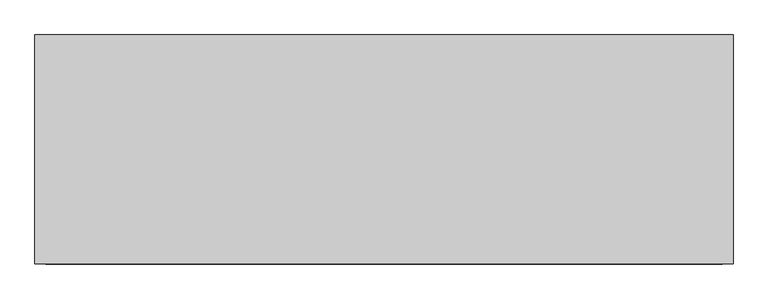
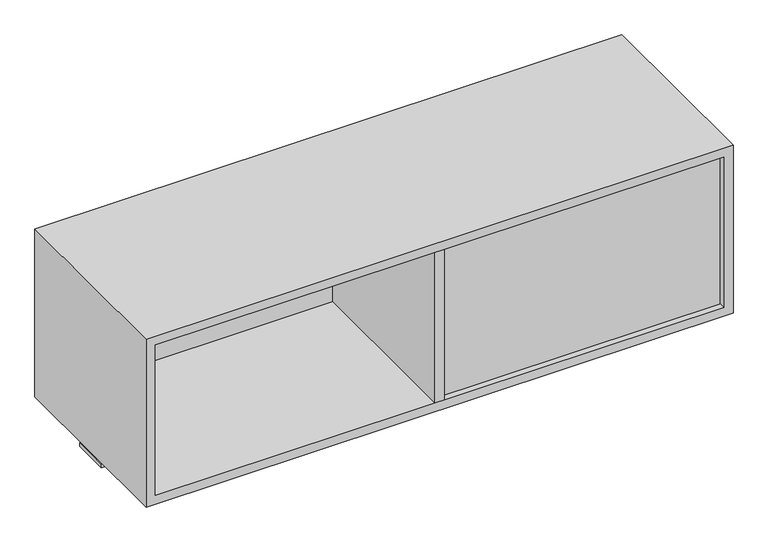
"""IFC4 building model written with IfcOpenShell, lengths in millimetres: furniture geometry."""

from ifc_helpers import new_model, si_unit, frame, origin, place, context, project, spatial, polyline, outline, extrude, source, transform, mapped, element, save


def furniture_8be17e63(model_context):
    return source(origin(), model_context, "Body", "SweptSolid", [
        extrude(outline(polyline([(162.052, -241.2273724), (142.748, -241.2273724), (142.748, 158.8226276), (162.052, 158.8226276), (162.052, -241.2273724)])), frame((0.0, 0.0, 1179.957), z_axis=(0.0, 0.0, 1.0), x_axis=(1.0, 0.0, 0.0)), (0.0, 0.0, 1.0), 330.5048),
        extrude(outline(polyline([(762.0, -2.0863724), (762.0, -80.3183724), (-457.2, -80.3183724), (-457.2, -2.0863724), (762.0, -2.0863724)])), frame((0.0, 0.0, 1150.366), z_axis=(0.0, 0.0, 1.0), x_axis=(1.0, 0.0, 0.0)), (0.0, 0.0, 1.0), 6.858),
        extrude(outline(polyline([(142.748, 145.5282676), (142.748, 126.2242676), (-437.896, 126.2242676), (-437.896, 145.5282676), (142.748, 145.5282676)])), frame((0.0, 0.0, 1179.957), z_axis=(0.0, 0.0, 1.0), x_axis=(1.0, 0.0, 0.0)), (0.0, 0.0, 1.0), 330.5048),
        extrude(outline(polyline([(742.696, -208.5832924), (742.696, -227.8872924), (162.052, -227.8872924), (162.052, -208.5832924), (742.696, -208.5832924)])), frame((0.0, 0.0, 1179.957), z_axis=(0.0, 0.0, 1.0), x_axis=(1.0, 0.0, 0.0)), (0.0, 0.0, 1.0), 330.5048),
        extrude(outline(polyline([(1529.7658, -457.2), (1160.653, -457.2), (1160.653, 762.0), (1529.7658, 762.0), (1529.7658, -457.2)]), holes=[polyline([(1510.4618, -437.896), (1510.4618, 742.696), (1179.957, 742.696), (1179.957, -437.896), (1510.4618, -437.896)])]), frame((0.0, -241.2273724, 0.0), z_axis=(0.0, 1.0, 0.0), x_axis=(0.0, 0.0, 1.0)), (0.0, 0.0, 1.0), 400.05),
        extrude(outline(polyline([(162.052, -241.2273724), (142.748, -241.2273724), (142.748, 158.8226276), (162.052, 158.8226276), (162.052, -241.2273724)])), frame((0.0, 0.0, 1179.957), z_axis=(0.0, 0.0, 1.0), x_axis=(1.0, 0.0, 0.0)), (0.0, 0.0, 1.0), 330.5048),
    ])


if __name__ == "__main__":
    model = new_model("IFC4")
    model_context = context("Model", 3, world=origin())
    ifc_project = project(units=[si_unit("LENGTHUNIT", "METRE", prefix="MILLI")], contexts=[model_context])
    site = spatial("IfcSite", under=ifc_project)
    building = spatial("IfcBuilding", under=site)
    placement = place(None, origin())
    furniture_shape = furniture_8be17e63(model_context)
    element("IfcFurniture", 1, at=placement, inside=building, context=model_context, shape_type="MappedRepresentation", body=[
        mapped(furniture_shape, transform((0.0, 0.0, 0.0), x_axis=(1.0, 0.0, 0.0), y_axis=(0.0, 1.0, 0.0), z_axis=(0.0, 0.0, 1.0))),
    ])
    save(model, "model.ifc")
